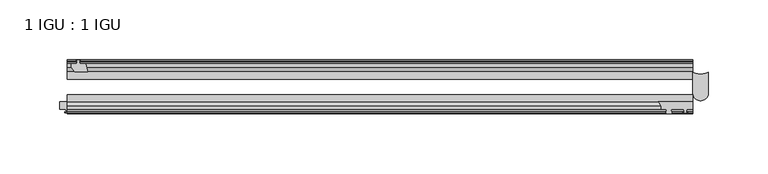
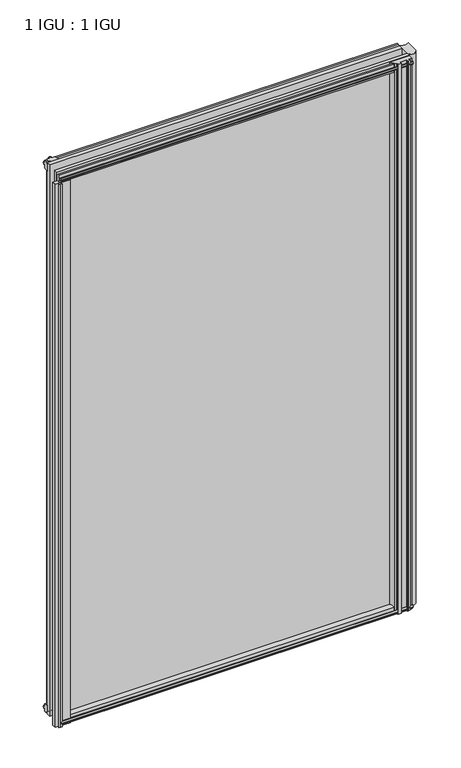
"""IFC4 building model written with IfcOpenShell, lengths in millimetres: plate geometry, 1 IGU : 1 IGU."""

from ifc_helpers import new_model, si_unit, point, frame, frame_2d, origin, place, context, project, spatial, polyline, circle_curve, trimmed, segment, composite_curve, outline, extrude, source, transform, mapped, element, save


def plate_1_igu_1_igu_0862a445(model_context):
    return source(origin(), model_context, "Body", "SweptSolid", [
        extrude(outline(composite_curve([segment(polyline([(218.0571386, -44.9460938), (218.0571386, -51.2960937), (212.9771386, -51.2960937), (212.6596386, -53.4006957), (213.8782444, -53.0741712), (214.0820386, -53.8347412), (211.7071386, -54.4710938), (209.3322386, -53.8347412), (209.5360327, -53.0741712), (210.7546386, -53.4006957), (210.4371386, -51.2960937), (200.0485386, -51.2960937)]), True, "CONTINUOUS"), segment(trimmed(circle_curve(frame_2d((200.0485386, -51.7532937)), 0.4572), [point((200.0485386, -51.2960937))], [point((199.7097207, -52.0602698))], True, "CARTESIAN"), True, "CONTINUOUS"), segment(trimmed(circle_curve(frame_2d((197.9403386, -53.663367)), 2.3876), [point((199.7097207, -52.0602698))], [point((200.0109816, -54.8520937))], False, "CARTESIAN"), True, "CONTINUOUS"), segment(polyline([(200.0109816, -54.8520937), (195.8696955, -54.8520937)]), True, "CONTINUOUS"), segment(trimmed(circle_curve(frame_2d((197.9403386, -53.663367)), 2.3876), [point((195.8696955, -54.8520937))], [point((196.1709564, -52.0602698))], False, "CARTESIAN"), True, "CONTINUOUS"), segment(trimmed(circle_curve(frame_2d((195.8321386, -51.7532937)), 0.4572), [point((196.1709564, -52.0602698))], [point((195.8321386, -51.2960937))], True, "CARTESIAN"), True, "CONTINUOUS"), segment(polyline([(195.8321386, -51.2960937), (191.5903386, -51.2960937)]), True, "CONTINUOUS"), segment(trimmed(circle_curve(frame_2d((184.4609382, -50.3546963)), 7.1912849), [point((191.5903386, -51.2960937))], [point((189.200305, -44.9460938))], True, "CARTESIAN"), True, "CONTINUOUS"), segment(polyline([(189.200305, -44.9460938), (218.0571386, -44.9460938)]), True, "CONTINUOUS")], self_intersect=False)), frame((0.0, 0.0, -10.7152524), z_axis=(0.0, 0.0, 1.0), x_axis=(1.0, 0.0, 0.0)), (0.0, 0.0, 1.0), 861.3739524),
        extrude(outline(polyline([(-295.7968906, -9.7670937), (-293.6193616, -10.4746158), (-293.6193616, -11.27583), (-295.0348906, -10.8158968), (-294.6538906, -13.1960937), (-289.4468906, -13.1960937), (-287.7291725, -19.5460937), (-298.5505485, -19.5460937), (-301.3848906, -16.1424937), (-301.3848906, -13.1960937), (-296.9398906, -13.1960937), (-296.5588906, -10.8158968), (-297.9744197, -11.27583), (-297.9744197, -10.4746158), (-295.7968906, -9.7670937)])), frame((0.0, 0.0, -12.4587), z_axis=(0.0, 0.0, 1.0), x_axis=(1.0, 0.0, 0.0)), (0.0, 0.0, 1.0), 863.1174),
        extrude(outline(composite_curve([segment(polyline([(-311.1511906, -44.9460937), (-287.0629464, -44.9460937)]), True, "CONTINUOUS"), segment(trimmed(circle_curve(frame_2d((-280.1505628, -50.4227155)), 8.8189814), [point((-287.0629464, -44.9460937))], [point((-288.9261906, -51.2960937))], True, "CARTESIAN"), True, "CONTINUOUS"), segment(polyline([(-288.9261906, -51.2960937), (-303.5311906, -51.2960937), (-303.8486906, -53.4006957), (-302.6300847, -53.0741712), (-302.4262906, -53.8347412), (-304.8011906, -54.4710937), (-307.1760906, -53.8347412), (-306.9722965, -53.0741712), (-305.7536906, -53.4006957), (-306.0711906, -51.2960937), (-311.1511906, -51.2960937), (-311.1511906, -44.9460937)]), True, "CONTINUOUS")], self_intersect=False)), frame((0.0, 0.0, -12.4587), z_axis=(0.0, 0.0, 1.0), x_axis=(1.0, 0.0, 0.0)), (0.0, 0.0, 1.0), 850.4174),
        extrude(outline(composite_curve([segment(polyline([(230.8489714, -20.0263871), (230.8489714, -37.7227655)]), True, "CONTINUOUS"), segment(trimmed(circle_curve(frame_2d((224.4888938, -37.7227655)), 6.3600776), [point((230.8489714, -37.7227655))], [point((218.1288163, -37.7227655))], False, "CARTESIAN"), True, "CONTINUOUS"), segment(polyline([(218.1288163, -37.7227655), (218.1288163, -20.0263871)]), True, "CONTINUOUS"), segment(trimmed(circle_curve(frame_2d((224.4888938, -9.6643371)), 12.1582346), [point((218.1288163, -20.0263871))], [point((230.8489714, -20.0263871))], True, "CARTESIAN"), True, "CONTINUOUS")], self_intersect=False)), frame((0.0, 0.0, -12.7), z_axis=(0.0, 0.0, 1.0), x_axis=(1.0, 0.0, 0.0)), (0.0, 0.0, 1.0), 863.6),
        extrude(outline(polyline([(-10.4746158, -4.6931709), (-9.7670937, -6.8707), (-10.4746158, -9.0482291), (-11.27583, -9.0482291), (-10.8158968, -7.6327), (-13.1960937, -8.0137), (-13.1960937, -12.4587), (-16.1424937, -12.4587), (-19.5460937, -9.6243578), (-19.5460937, 1.1970181), (-13.1960937, -0.5207), (-13.1960937, -5.7277), (-10.8158968, -6.1087), (-11.27583, -4.6931709), (-10.4746158, -4.6931709)])), frame((-304.8011906, 0.0, 0.0), z_axis=(1.0, 0.0, 0.0), x_axis=(0.0, 1.0, 0.0)), (0.0, 0.0, 1.0), 522.8851937),
        extrude(outline(polyline([(-44.9460937, 1.7177181), (-44.9460937, -9.1036578), (-48.3496937, -11.938), (-51.2960937, -11.938), (-51.2960937, -7.493), (-53.6762907, -7.112), (-53.2163575, -8.5275291), (-54.0175717, -8.5275291), (-54.7250937, -6.35), (-54.0175717, -4.1724709), (-53.2163575, -4.1724709), (-53.6762907, -5.588), (-51.2960937, -5.207), (-51.2960937, 0.0), (-44.9460937, 1.7177181)])), frame((-304.8011906, 0.0, 0.0), z_axis=(1.0, 0.0, 0.0), x_axis=(0.0, 1.0, 0.0)), (0.0, 0.0, 1.0), 522.8851937),
        extrude(outline(polyline([(-10.8158968, 845.8327), (-11.27583, 847.2482291), (-10.4746158, 847.2482291), (-9.7670937, 845.0707), (-10.4746158, 842.8931709), (-11.27583, 842.8931709), (-10.8158968, 844.3087), (-13.1960937, 843.9277), (-13.1960937, 838.7207), (-19.5460938, 837.0029819), (-19.5460938, 847.8243578), (-16.1424937, 850.6587), (-13.1960937, 850.6587), (-13.1960937, 846.2137), (-10.8158968, 845.8327)])), frame((-304.8011906, 0.0, 0.0), z_axis=(1.0, 0.0, 0.0), x_axis=(0.0, 1.0, 0.0)), (0.0, 0.0, 1.0), 522.8851937),
        extrude(outline(polyline([(-51.2960937, 850.138), (-48.3496937, 850.138), (-44.9460938, 847.3036578), (-44.9460938, 836.4822819), (-51.2960937, 838.2), (-51.2960937, 843.407), (-53.6762907, 843.788), (-53.2163575, 842.3724709), (-54.0175717, 842.3724709), (-54.7250937, 844.55), (-54.0175717, 846.7275291), (-53.2163575, 846.7275291), (-53.6762907, 845.312), (-51.2960937, 845.693), (-51.2960937, 850.138)])), frame((-304.8011906, 0.0, 0.0), z_axis=(1.0, 0.0, 0.0), x_axis=(0.0, 1.0, 0.0)), (0.0, 0.0, 1.0), 522.8851937),
        extrude(outline(polyline([(-304.8011906, -38.9186738), (218.0840031, -38.9186738), (218.0840031, -44.9460937), (-304.8011906, -44.9460937), (-304.8011906, -38.9186738)])), frame((0.0, 0.0, -12.7), z_axis=(0.0, 0.0, 1.0), x_axis=(1.0, 0.0, 0.0)), (0.0, 0.0, 1.0), 863.6),
        extrude(outline(polyline([(-304.8011906, -19.5460937), (218.0840031, -19.5460937), (218.0840031, -25.8960938), (-304.8011906, -25.8960938), (-304.8011906, -19.5460937)])), frame((0.0, 0.0, -12.7), z_axis=(0.0, 0.0, 1.0), x_axis=(1.0, 0.0, 0.0)), (0.0, 0.0, 1.0), 863.6),
    ])


if __name__ == "__main__":
    model = new_model("IFC4")
    model_context = context("Model", 3, world=origin())
    ifc_project = project(units=[si_unit("LENGTHUNIT", "METRE", prefix="MILLI")], contexts=[model_context])
    site = spatial("IfcSite", under=ifc_project)
    building = spatial("IfcBuilding", under=site)
    placement = place(None, origin())
    plate_1_igu_1_igu_shape = plate_1_igu_1_igu_0862a445(model_context)
    element("IfcPlate", 1, ObjectType="1 IGU : 1 IGU", at=placement, inside=building, context=model_context, shape_type="MappedRepresentation", body=[
        mapped(plate_1_igu_1_igu_shape, transform((0.0, 0.0, 0.0), x_axis=(1.0, 0.0, 0.0), y_axis=(0.0, 1.0, 0.0), z_axis=(0.0, 0.0, 1.0))),
    ])
    save(model, "model.ifc")
